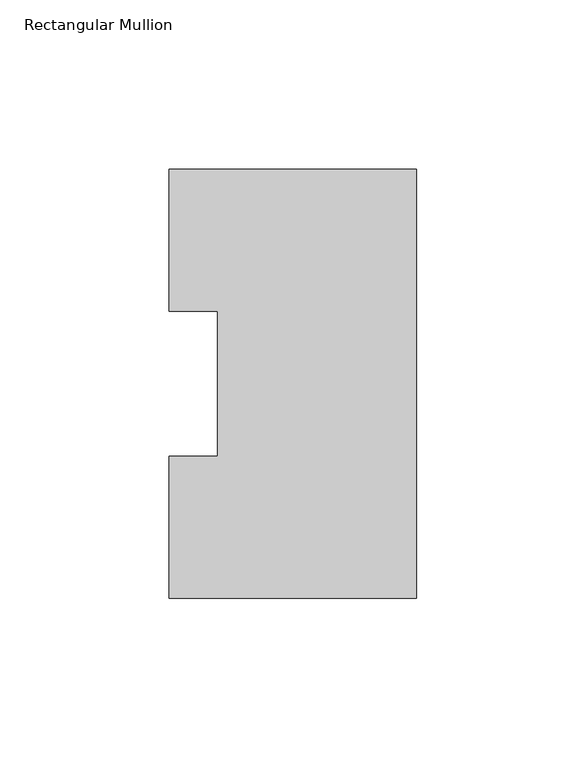
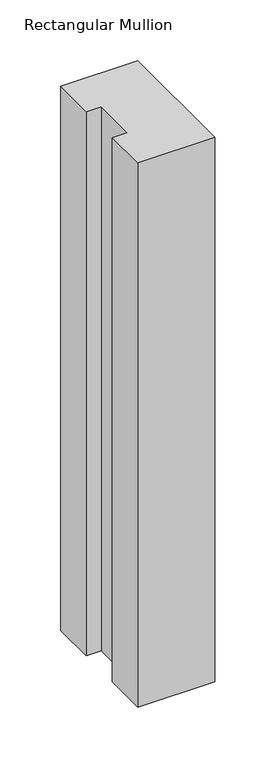
"""IFC4 building model written with IfcOpenShell, lengths in millimetres: member geometry, Rectangular Mullion."""

from ifc_helpers import new_model, si_unit, frame, origin, place, context, project, spatial, polyline, outline, extrude, source, transform, mapped, element, save


def rectangular_mullion_c04d5898(model_context):
    return source(origin(), model_context, "Body", "SweptSolid", [
        extrude(outline(polyline([(0.0, 126.4546937), (0.0, -0.0373063), (-73.025, -0.0373063), (-73.025, 41.7837937), (-58.7375, 41.7837937), (-58.7375, 84.6335938), (-73.025, 84.6335938), (-73.025, 126.4546937), (0.0, 126.4546937)])), frame((0.0, 0.0, -546.1), z_axis=(0.0, 0.0, 1.0), x_axis=(1.0, 0.0, 0.0)), (0.0, 0.0, 1.0), 546.1),
    ])


if __name__ == "__main__":
    model = new_model("IFC4")
    model_context = context("Model", 3, world=origin())
    ifc_project = project(units=[si_unit("LENGTHUNIT", "METRE", prefix="MILLI")], contexts=[model_context])
    site = spatial("IfcSite", under=ifc_project)
    building = spatial("IfcBuilding", under=site)
    placement = place(None, origin())
    rectangular_mullion_shape = rectangular_mullion_c04d5898(model_context)
    element("IfcMember", 1, ObjectType="Rectangular Mullion", at=placement, inside=building, context=model_context, shape_type="MappedRepresentation", body=[
        mapped(rectangular_mullion_shape, transform((0.0, 0.0, 0.0), x_axis=(1.0, 0.0, 0.0), y_axis=(0.0, 1.0, 0.0), z_axis=(0.0, 0.0, 1.0))),
    ])
    save(model, "model.ifc")
